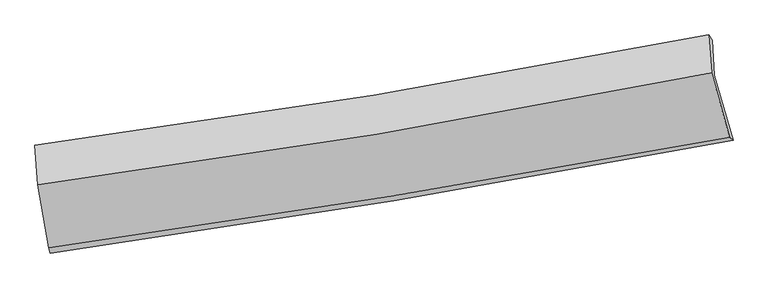
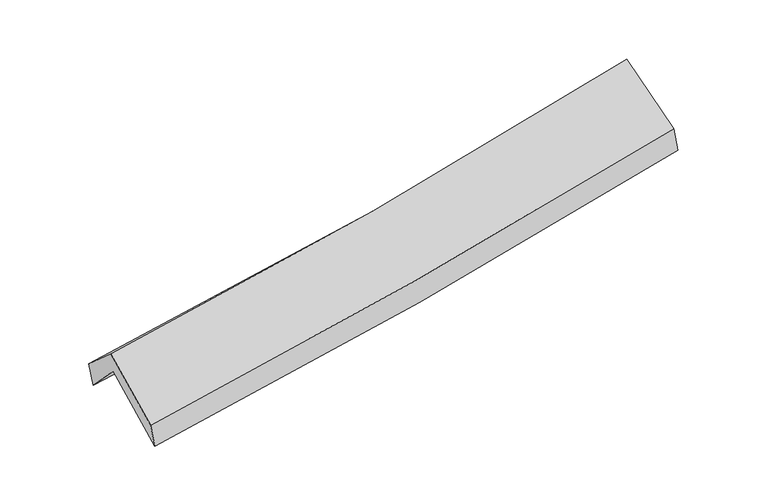
"""IFC4 building model written with IfcOpenShell, lengths in millimetres: proxy geometry."""

import ifcopenshell
import ifcopenshell.guid

model = None  # the IFC model being written
_history = None  # IfcOwnerHistory: only IFC2X3 demands one
_inside = {}  # id of a spatial element -> (the spatial element, [elements in it])
_under = {}  # id of a project, library or spatial element -> (it, [spatial elements below it])
_declared = {}  # id of a project -> (the project, [libraries it declares])
_typed = {}  # id of a type object -> (the type object, [elements of that type])
_made_of = {}  # id of a material, layer set ... -> (it, [elements and type objects made of it])


def new_model(schema):
    """Start an empty IFC model of exactly this schema.

    Asked for "IFC4X3", IfcOpenShell would pick the latest addendum, in which some entities
    have other attributes; the version numbers below select the first issue.
    IFC2X3 requires an IfcOwnerHistory on every rooted entity: one is made here for all.
    """
    global model, _history
    if schema == "IFC4X3":
        model = ifcopenshell.file(schema_version=(4, 3, 0, 0))
    else:
        model = ifcopenshell.file(schema=schema)
    _inside.clear()
    _under.clear()
    _declared.clear()
    _typed.clear()
    _made_of.clear()
    _history = None
    if model.schema == "IFC2X3":
        org = make("IfcOrganization", Name="unknown")
        user = make(
            "IfcPersonAndOrganization",
            ThePerson=make("IfcPerson", FamilyName="unknown"),
            TheOrganization=org,
        )
        app = make(
            "IfcApplication",
            ApplicationDeveloper=org,
            Version="unknown",
            ApplicationFullName="unknown",
            ApplicationIdentifier="unknown",
        )
        _history = make(
            "IfcOwnerHistory",
            OwningUser=user,
            OwningApplication=app,
            ChangeAction="ADDED",
            CreationDate=0,
        )
    return model


def make(cls, **values):
    """One entity of the class cls with the attributes given. An attribute that is None is left unset."""
    return model.create_entity(
        cls, **{name: value for name, value in values.items() if value is not None}
    )


def rooted(cls, **values):
    """An entity with a GlobalId (a new one), such as an element, a storey or a relation."""
    return make(cls, GlobalId=ifcopenshell.guid.new(), OwnerHistory=_history, **values)


def si_unit(unit_type, name, prefix=None):
    """IfcSIUnit, for example si_unit("LENGTHUNIT", "METRE", prefix="MILLI")."""
    return make("IfcSIUnit", UnitType=unit_type, Prefix=prefix, Name=name)


def assignment(units):
    """IfcUnitAssignment: the units of a project."""
    return None if units is None else make("IfcUnitAssignment", Units=units)


def point(xyz):
    """IfcCartesianPoint."""
    return None if xyz is None else make("IfcCartesianPoint", Coordinates=xyz)


def direction(xyz):
    """IfcDirection."""
    return None if xyz is None else make("IfcDirection", DirectionRatios=xyz)


def frame(location, z_axis=None, x_axis=None):
    """IfcAxis2Placement3D, a coordinate frame: its origin and axes. An axis left out is left unset."""
    return make(
        "IfcAxis2Placement3D",
        Location=point(location),
        Axis=direction(z_axis),
        RefDirection=direction(x_axis),
    )


def origin():
    """The frame at (0, 0, 0) with its axes left unset."""
    return frame((0.0, 0.0, 0.0))


def place(relative_to, where):
    """IfcLocalPlacement: puts the frame where relative to a parent placement (None: the world)."""
    return make(
        "IfcLocalPlacement", PlacementRelTo=relative_to, RelativePlacement=where
    )


def context(
    kind, dimensions, precision=None, world=None, true_north=None, identifier=None
):
    """IfcGeometricRepresentationContext, for example the 3D "Model" context."""
    return make(
        "IfcGeometricRepresentationContext",
        ContextIdentifier=identifier,
        ContextType=kind,
        CoordinateSpaceDimension=dimensions,
        Precision=precision,
        WorldCoordinateSystem=world,
        TrueNorth=true_north,
    )


def project(units=None, contexts=None):
    """IfcProject with its units and contexts."""
    return rooted(
        "IfcProject",
        Name="project",
        RepresentationContexts=contexts,
        UnitsInContext=assignment(units),
    )


def spatial(cls, under=None, at=None, **own):
    """A site, building, storey or space (cls), placed at a placement, below another one or the project."""
    s = rooted(cls, ObjectPlacement=at, **own)
    if under is not None:
        _under.setdefault(under.id(), (under, []))[1].append(s)
    return s


def shape(context_of_items, identifier, shape_type, items):
    """IfcShapeRepresentation: the items that make up one representation, for example the "Body"."""
    return make(
        "IfcShapeRepresentation",
        ContextOfItems=context_of_items,
        RepresentationIdentifier=identifier,
        RepresentationType=shape_type,
        Items=items,
    )


def source(mapping_origin, context_of_items, identifier, shape_type, items):
    """IfcRepresentationMap: a shape defined once, which mapped items show again and again."""
    return make(
        "IfcRepresentationMap",
        MappingOrigin=mapping_origin,
        MappedRepresentation=shape(context_of_items, identifier, shape_type, items),
    )


def transform(
    local_origin,
    x_axis=None,
    y_axis=None,
    z_axis=None,
    scale=None,
    scale2=None,
    scale3=None,
    uniform=True,
):
    """IfcCartesianTransformationOperator3D, or its non-uniform kind. x_axis, y_axis, z_axis: its Axis1, 2, 3."""
    if uniform:
        return make(
            "IfcCartesianTransformationOperator3D",
            Axis1=direction(x_axis),
            Axis2=direction(y_axis),
            LocalOrigin=point(local_origin),
            Scale=scale,
            Axis3=direction(z_axis),
        )
    return make(
        "IfcCartesianTransformationOperator3DnonUniform",
        Axis1=direction(x_axis),
        Axis2=direction(y_axis),
        LocalOrigin=point(local_origin),
        Scale=scale,
        Axis3=direction(z_axis),
        Scale2=scale2,
        Scale3=scale3,
    )


def mapped(mapping_source, mapping_target):
    """IfcMappedItem: shows the shape of a source again, moved by a transform."""
    return make(
        "IfcMappedItem", MappingSource=mapping_source, MappingTarget=mapping_target
    )


def made_of(thing, what):
    """Note that an element or type object is made of a material, layer set ...; save() writes the relation."""
    if what is not None:
        _made_of.setdefault(what.id(), (what, []))[1].append(thing)
    return thing


def element(
    cls,
    number,
    at=None,
    inside=None,
    cuts=None,
    type_object=None,
    material=None,
    context=None,
    identifier="Body",
    shape_type=None,
    held_by="IfcProductDefinitionShape",
    body=None,
    shapes=None,
    **own,
):
    """One element of the class cls, such as IfcWall. Its Tag is "e" and its number.

    at: its placement. inside: the storey or other place that contains it. cuts: it is an
    opening in that element (IfcRelVoidsElement). A single representation is given by context,
    identifier, shape_type and body (its items); several are given by shapes. held_by: the class
    of the entity that holds the representations. save() writes the other relations.
    """
    e = rooted(cls, Tag="e%d" % number, ObjectPlacement=at, **own)
    if body is not None:
        shapes = [shape(context, identifier, shape_type, body)]
    if shapes is not None:
        e.Representation = make(held_by, Representations=shapes)
    if inside is not None:
        _inside.setdefault(inside.id(), (inside, []))[1].append(e)
    if cuts is not None:
        rooted(
            "IfcRelVoidsElement", RelatingBuildingElement=cuts, RelatedOpeningElement=e
        )
    if type_object is not None:
        _typed.setdefault(type_object.id(), (type_object, []))[1].append(e)
    return made_of(e, material)


def aggregate(whole, parts):
    """IfcRelAggregates: a whole, such as a stair, and the parts it consists of."""
    return rooted("IfcRelAggregates", RelatingObject=whole, RelatedObjects=parts)


def save(model, path):
    """Write the relations noted so far, then the file.

    IfcRelAggregates (storeys below a building ...), IfcRelContainedInSpatialStructure (elements
    in a storey), IfcRelDefinesByType, IfcRelAssociatesMaterial and IfcRelDeclares: one each for
    every whole, place, type object, material and project.
    """
    for whole, parts in _under.values():
        aggregate(whole, parts)
    for where, things in _inside.values():
        rooted(
            "IfcRelContainedInSpatialStructure",
            RelatedElements=things,
            RelatingStructure=where,
        )
    for kind, things in _typed.values():
        rooted("IfcRelDefinesByType", RelatedObjects=things, RelatingType=kind)
    for what, things in _made_of.values():
        rooted("IfcRelAssociatesMaterial", RelatedObjects=things, RelatingMaterial=what)
    for by, libraries in _declared.values():
        rooted("IfcRelDeclares", RelatingContext=by, RelatedDefinitions=libraries)
    model.write(path)


def plane_surface(at):
    """IfcPlane: the flat surface through the origin of the frame at, square to its z axis."""
    return make("IfcPlane", Position=at)


def spline_curve(degree, points, multiplicities, knots, weights=None):
    """IfcBSplineCurveWithKnots; with weights, IfcRationalBSplineCurveWithKnots."""
    own = dict(
        Degree=degree,
        ControlPointsList=[point(p) for p in points],
        CurveForm="UNSPECIFIED",
        ClosedCurve=False,
        SelfIntersect=False,
        KnotMultiplicities=multiplicities,
        Knots=knots,
        KnotSpec="UNSPECIFIED",
    )
    if weights is None:
        return make("IfcBSplineCurveWithKnots", **own)
    return make("IfcRationalBSplineCurveWithKnots", WeightsData=weights, **own)


def spline_surface(u_degree, v_degree, points, u_multiplicities, v_multiplicities, u_knots, v_knots, weights=None):
    """IfcBSplineSurfaceWithKnots; with weights, IfcRationalBSplineSurfaceWithKnots. points: one row for each step in u."""
    own = dict(
        UDegree=u_degree,
        VDegree=v_degree,
        ControlPointsList=[[point(p) for p in row] for row in points],
        SurfaceForm="UNSPECIFIED",
        UClosed=False,
        VClosed=False,
        SelfIntersect=False,
        UMultiplicities=u_multiplicities,
        VMultiplicities=v_multiplicities,
        UKnots=u_knots,
        VKnots=v_knots,
        KnotSpec="UNSPECIFIED",
    )
    if weights is None:
        return make("IfcBSplineSurfaceWithKnots", **own)
    return make("IfcRationalBSplineSurfaceWithKnots", WeightsData=weights, **own)


def advanced_brep(points, edges, surfaces, faces):
    """IfcAdvancedBrep: a solid bounded by faces that lie on surfaces and meet in shared edges.

    An edge is (start, end): straight between two places in points (the first is 0);
    or (start, end, curve); or (start, end, curve, False) where it runs against its curve.
    A face is (place in surfaces, loops), or (place, loops, False) where it looks against
    its surface's normal. A loop lists edges by number (the first is 1), with a minus sign
    where the edge is run from its end to its start. The first loop is the outer one.
    """
    corners = [point(p) for p in points]
    vertices = [make("IfcVertexPoint", VertexGeometry=c) for c in corners]
    made = []
    for start, end, *more in edges:
        made.append(
            make(
                "IfcEdgeCurve",
                EdgeStart=vertices[start],
                EdgeEnd=vertices[end],
                EdgeGeometry=more[0] if more else make("IfcPolyline", Points=[corners[start], corners[end]]),
                SameSense=more[1] if len(more) > 1 else True,
            )
        )
    hull = []
    for where, loops, *sense in faces:
        bounds = []
        for j, loop in enumerate(loops):
            ring = [make("IfcOrientedEdge", EdgeElement=made[abs(k) - 1], Orientation=k > 0) for k in loop]
            bounds.append(
                make(
                    "IfcFaceOuterBound" if j == 0 else "IfcFaceBound",
                    Bound=make("IfcEdgeLoop", EdgeList=ring),
                    Orientation=True,
                )
            )
        hull.append(make("IfcAdvancedFace", Bounds=bounds, FaceSurface=surfaces[where], SameSense=sense[0] if sense else True))
    return make("IfcAdvancedBrep", Outer=make("IfcClosedShell", CfsFaces=hull))


def generic_models_42d8fcd7(model_context):
    return source(origin(), model_context, "Body", "AdvancedBrep", [
        advanced_brep(
        [(-2472.2289743, -2490.1637161, 1465.7375825), (-2555.2016163, -2000.4416039, 1899.3411233), (2487.2086177, -1161.8015458, 2364.0580565), (2627.114323, -1647.8767934, 1930.4222998), (-2574.0581326, -1725.3974105, 1605.8279283), (2471.4096812, -901.066622, 2056.5871126), (-2588.5827543, -1683.9984645, 1787.8645991), (2443.6454182, -860.882307, 2240.0914505), (-2565.8664272, -1978.3532074, 2052.8968526), (2465.8744622, -1144.1367993, 2527.9430261), (-2486.3809531, -2450.464974, 1644.6316372), (2601.2222377, -1625.0465507, 2126.9108864)],
        [
            (0, 1),
            (1, 2, spline_curve(3, [(-2555.2016163, -2000.4416039, 1899.3411233), (-1707.723711673, -1881.893596124, 1959.985543186), (-862.888913341, -1752.560059589, 2029.13536058), (817.891934419, -1472.92129912, 2184.113614271), (1653.860547159, -1322.708149675, 2269.869441305), (2487.2086177, -1161.8015458, 2364.0580565)], [4, 2, 4], [0.0, 8.485639927130803, 16.93498189917436])),
            (2, 3),
            (3, 0, spline_curve(3, [(2627.114323, -1647.8767934, 1930.4222998), (1784.089198004, -1808.9413949, 1836.643668083), (938.547581533, -1959.536316824, 1751.095945277), (-761.211849407, -2240.388771882, 1596.130168717), (-1615.451332442, -2370.556157663, 1526.782985644), (-2472.2289743, -2490.1637161, 1465.7375825)], [4, 2, 4], [0.0, 8.449341972043557, 16.93498189917436])),
            (1, 4),
            (4, 5, spline_curve(3, [(-2574.0581326, -1725.3974105, 1605.8279283), (-1723.54918177, -1621.425065027, 1652.908515239), (-876.9462165, -1500.561295677, 1714.122815032), (804.843043177, -1225.640166596, 1864.496533647), (1640.062682652, -1071.727006674, 1953.535295301), (2471.4096812, -901.066622, 2056.5871126)], [4, 2, 4], [0.0, 8.439680959658057, 16.843260557125987])),
            (5, 2),
            (4, 6),
            (6, 7, spline_curve(3, [(-2588.5827543, -1683.9984645, 1787.8645991), (-1741.281952151, -1572.838062055, 1833.621962576), (-897.387661329, -1448.489621123, 1894.298899074), (779.992648623, -1174.004984185, 2045.168549239), (1613.507748658, -1023.981372828, 2135.233896301), (2443.6454182, -860.882307, 2240.0914505)], [4, 2, 4], [0.0, 8.429302747045677, 16.822548525476552])),
            (7, 5),
            (6, 8),
            (8, 9, spline_curve(3, [(-2565.8664272, -1978.3532074, 2052.8968526), (-1719.132204084, -1866.392940669, 2114.717298207), (-875.56137683, -1740.716434458, 2185.318331931), (801.658581018, -1462.527204768, 2343.742015084), (1635.334716683, -1310.131575206, 2431.489705803), (2465.8744622, -1144.1367993, 2527.9430261)], [4, 2, 4], [0.0, 8.420506819280584, 16.80499429518073])),
            (9, 7),
            (8, 10),
            (10, 11, spline_curve(3, [(-2486.3809531, -2450.464974, 1644.6316372), (-1631.785392278, -2332.016850824, 1708.346357402), (-779.617152248, -2203.839680465, 1780.497841307), (916.229856348, -1928.617150821, 1941.329614278), (1759.929346474, -1781.654846509, 2029.937880251), (2601.2222377, -1625.0465507, 2126.9108864)], [4, 2, 4], [0.0, 8.467010679547466, 16.89780309199797])),
            (11, 9),
            (10, 0),
            (3, 11),
        ],
        [
            spline_surface(3, 3, [[(-2472.2289743, -2490.1637161, 1465.7375825), (-1615.451332309, -2370.55615777, 1526.782985557), (-761.211849537, -2240.388771973, 1596.13016858), (938.547581663, -1959.536316735, 1751.095945413), (1784.089198016, -1808.941394964, 1836.64366814), (2627.114323, -1647.8767934, 1930.4222998)], [(-2499.88652166, -2326.923012045, 1610.272096089), (-1646.208792144, -2207.668637211, 1671.183838091), (-795.104204094, -2077.779201174, 1740.465232558), (898.329032549, -1797.331310852, 1895.435168355), (1740.679647707, -1646.863646497, 1981.052259188), (2580.479087885, -1485.851710872, 2074.967552033)], [(-2527.54406894, -2163.682307955, 1754.806609711), (-1676.966251898, -2044.781116616, 1815.584690658), (-828.996558669, -1915.169630398, 1884.800296584), (858.110483419, -1635.126304992, 2039.774391347), (1697.270097441, -1484.785898013, 2125.460850237), (2533.843852815, -1323.826628328, 2219.512804267)], [(-2555.2016163, -2000.4416039, 1899.3411233), (-1707.723711733, -1881.893596057, 1959.985543193), (-862.888913226, -1752.560059599, 2029.135360561), (817.891934305, -1472.92129911, 2184.113614289), (1653.860547132, -1322.708149546, 2269.869441285), (2487.2086177, -1161.8015458, 2364.0580565)]], [4, 4], [4, 2, 4], [0.0, 2.169415478707963], [0.0, 8.485639927130803, 16.93498189917436]),
            spline_surface(3, 3, [[(-2555.2016163, -2000.4416039, 1899.3411233), (-1707.723711733, -1881.893596057, 1959.985543193), (-862.888913226, -1752.560059599, 2029.135360561), (817.891934305, -1472.92129911, 2184.113614289), (1653.860547132, -1322.708149546, 2269.869441285), (2487.2086177, -1161.8015458, 2364.0580565)], [(-2561.487121725, -1908.760206098, 1801.503391638), (-1712.99886838, -1795.07075241, 1857.626533857), (-867.574681014, -1668.560471616, 1924.131178712), (813.542303932, -1390.494254931, 2077.574587475), (1649.261258986, -1239.047768545, 2164.424725989), (2481.942305534, -1074.889904527, 2261.567741853)], [(-2567.772627175, -1817.078808302, 1703.665659962), (-1718.274025052, -1708.247908769, 1755.267524507), (-872.260448761, -1584.560883659, 1819.126996772), (809.192673599, -1308.067210776, 1971.03556057), (1644.661970836, -1155.387387564, 2058.980010735), (2476.675993366, -987.978263273, 2159.077427247)], [(-2574.0581326, -1725.3974105, 1605.8279283), (-1723.549181699, -1621.425065122, 1652.908515172), (-876.946216549, -1500.561295676, 1714.122814923), (804.843043226, -1225.640166597, 1864.496533756), (1640.06268269, -1071.727006563, 1953.535295439), (2471.4096812, -901.066622, 2056.5871126)]], [4, 4], [4, 2, 4], [0.0, 1.3253590941451807], [0.0, 8.439680959658057, 16.843260557125987]),
            spline_surface(3, 3, [[(-2574.0581326, -1725.3974105, 1605.8279283), (-1723.549181699, -1621.425065122, 1652.908515172), (-876.946216549, -1500.561295676, 1714.122814923), (804.843043226, -1225.640166597, 1864.496533756), (1640.06268269, -1071.727006563, 1953.535295439), (2471.4096812, -901.066622, 2056.5871126)], [(-2578.899673162, -1711.597761818, 1666.506818579), (-1729.460105165, -1605.229397442, 1713.146330963), (-883.760031455, -1483.204070816, 1774.181509646), (796.559578375, -1208.428439158, 1924.720538859), (1631.211038021, -1055.811795308, 2014.101495733), (2462.154926864, -887.67185033, 2117.755225246)], [(-2583.741213738, -1697.798113182, 1727.185708821), (-1735.371028645, -1589.033729809, 1773.384146718), (-890.573846417, -1465.846845922, 1834.240204448), (788.276113467, -1191.216711684, 1984.94454404), (1622.359393359, -1039.896584062, 2074.667695988), (2452.900172536, -874.27707867, 2178.923337854)], [(-2588.5827543, -1683.9984645, 1787.8645991), (-1741.281952111, -1572.838062129, 1833.62196251), (-897.387661323, -1448.489621062, 1894.298899171), (779.992648617, -1174.004984245, 2045.168549143), (1613.50774869, -1023.981372807, 2135.233896282), (2443.6454182, -860.882307, 2240.0914505)]], [4, 4], [4, 2, 4], [0.0, 0.620362817440753], [0.0, 8.429302747045677, 16.822548525476552]),
            spline_surface(3, 3, [[(-2588.5827543, -1683.9984645, 1787.8645991), (-1741.281952111, -1572.838062129, 1833.62196251), (-897.387661323, -1448.489621062, 1894.298899171), (779.992648617, -1174.004984245, 2045.168549143), (1613.50774869, -1023.981372807, 2135.233896282), (2443.6454182, -860.882307, 2240.0914505)], [(-2581.010645274, -1782.116712142, 1876.20868359), (-1733.898702757, -1670.689688364, 1927.320407739), (-890.112233131, -1545.898558841, 1991.305376788), (787.214626067, -1270.179057786, 2144.693037798), (1620.783404748, -1119.364773624, 2233.985832787), (2451.055099561, -955.300471103, 2336.041975704)], [(-2573.438536226, -1880.234959758, 1964.55276811), (-1726.515453379, -1768.541314574, 2021.018852998), (-882.836804956, -1643.3074966, 2088.311854348), (794.436603501, -1366.353131307, 2244.217526396), (1628.059060724, -1214.748174433, 2332.73776928), (2458.464780839, -1049.718635197, 2431.992500896)], [(-2565.8664272, -1978.3532074, 2052.8968526), (-1719.132204025, -1866.392940808, 2114.717298227), (-875.561376764, -1740.716434378, 2185.318331965), (801.658580952, -1462.527204848, 2343.742015051), (1635.334716782, -1310.13157525, 2431.489705785), (2465.8744622, -1144.1367993, 2527.9430261)]], [4, 4], [4, 2, 4], [0.0, 1.3594330505783159], [0.0, 8.420506819280584, 16.80499429518073]),
            spline_surface(3, 3, [[(-2565.8664272, -1978.3532074, 2052.8968526), (-1719.132204025, -1866.392940808, 2114.717298227), (-875.561376764, -1740.716434378, 2185.318331965), (801.658580952, -1462.527204848, 2343.742015051), (1635.334716782, -1310.13157525, 2431.489705785), (2465.8744622, -1144.1367993, 2527.9430261)], [(-2539.371269167, -2135.723796264, 1916.808447486), (-1690.016600103, -2021.600910774, 1979.260317948), (-843.5799686, -1895.090849764, 2050.378168392), (839.849006079, -1617.890520128, 2209.60454816), (1676.866260043, -1467.305998981, 2297.639097261), (2510.990387361, -1304.440049775, 2394.265646207)], [(-2512.876111133, -2293.094385136, 1780.720042314), (-1660.900996182, -2176.808880748, 1843.803337611), (-811.598560417, -2049.465265181, 1915.4380048), (878.039431226, -1773.25383544, 2075.467081249), (1718.397803321, -1624.480422685, 2163.788488714), (2556.106312539, -1464.743300225, 2260.588266293)], [(-2486.3809531, -2450.464974, 1644.6316372), (-1631.78539226, -2332.016850714, 1708.346357332), (-779.617152253, -2203.839680567, 1780.497841227), (916.229856354, -1928.61715072, 1941.329614358), (1759.929346582, -1781.654846416, 2029.93788019), (2601.2222377, -1625.0465507, 2126.9108864)]], [4, 4], [4, 2, 4], [0.0, 2.0484494213274633], [0.0, 8.467010679547466, 16.89780309199797]),
            spline_surface(3, 3, [[(-2486.3809531, -2450.464974, 1644.6316372), (-1631.78539226, -2332.016850714, 1708.346357332), (-779.617152253, -2203.839680567, 1780.497841227), (916.229856354, -1928.61715072, 1941.329614358), (1759.929346582, -1781.654846416, 2029.93788019), (2601.2222377, -1625.0465507, 2126.9108864)], [(-2481.663626811, -2463.697888033, 1585.000285617), (-1626.340705588, -2344.8632864, 1647.825233391), (-773.482051358, -2216.022711044, 1719.041950332), (923.669098113, -1938.9235394, 1877.918391363), (1767.982630387, -1790.750362591, 1965.506476163), (2609.852932794, -1632.656631592, 2061.414690856)], [(-2476.946300589, -2476.930802067, 1525.368934083), (-1620.896018981, -2357.709722085, 1587.304109498), (-767.346950432, -2228.205741496, 1657.586059476), (931.108339904, -1949.229928055, 1814.507168408), (1776.035914211, -1799.845878789, 1901.075072168), (2618.483627906, -1640.266712508, 1995.918495344)], [(-2472.2289743, -2490.1637161, 1465.7375825), (-1615.451332309, -2370.55615777, 1526.782985557), (-761.211849537, -2240.388771973, 1596.13016858), (938.547581663, -1959.536316735, 1751.095945413), (1784.089198016, -1808.941394964, 1836.64366814), (2627.114323, -1647.8767934, 1930.4222998)]], [4, 4], [4, 2, 4], [0.0, 0.6279178467817235], [0.0, 8.521607733863245, 17.00676365767432]),
            plane_surface(frame((2516.0791233, -1223.4684364, 2207.6688053), z_axis=(0.9767751886227032, 0.18554822808131738, 0.10715449569181001), x_axis=(0.2112695325818115, -0.7506704711985479, -0.6259864441609043))),
            plane_surface(frame((-2540.3864763, -2054.8032294, 1742.7166205), z_axis=(-0.9911355775955996, -0.1225910829090516, -0.051202472747159944), x_axis=(-0.0770001405296466, 0.21599867761222885, 0.9733527364877459))),
        ],
        [
            (0, [[1, 2, 3, 4]]),
            (1, [[5, 6, 7, -2]]),
            (2, [[8, 9, 10, -6]]),
            (3, [[11, 12, 13, -9]]),
            (4, [[14, 15, 16, -12]]),
            (5, [[17, -4, 18, -15]]),
            (6, [[-16, -18, -3, -7, -10, -13]]),
            (7, [[-17, -14, -11, -8, -5, -1]]),
        ],
    ),
    ])


if __name__ == "__main__":
    model = new_model("IFC4")
    model_context = context("Model", 3, world=origin())
    ifc_project = project(units=[si_unit("LENGTHUNIT", "METRE", prefix="MILLI")], contexts=[model_context])
    site = spatial("IfcSite", under=ifc_project)
    building = spatial("IfcBuilding", under=site)
    placement = place(None, origin())
    generic_models_shape = generic_models_42d8fcd7(model_context)
    element("IfcBuildingElementProxy", 1, Name="Generic Models", at=placement, inside=building, context=model_context, shape_type="MappedRepresentation", body=[
        mapped(generic_models_shape, transform((0.0, 0.0, 0.0), x_axis=(1.0, 0.0, 0.0), y_axis=(0.0, 1.0, 0.0), z_axis=(0.0, 0.0, 1.0))),
    ])
    save(model, "model.ifc")
